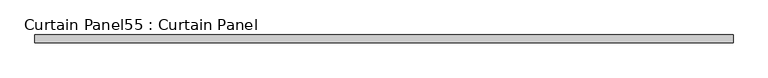
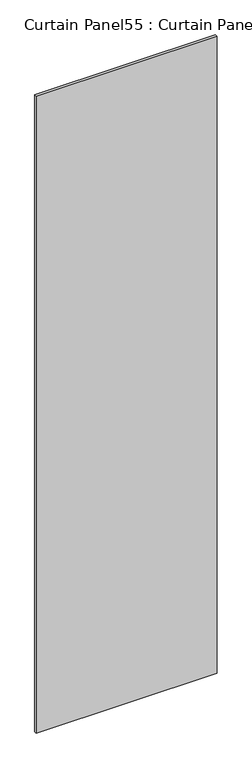
"""IFC4 building model written with IfcOpenShell, lengths in millimetres: plate geometry, Curtain Panel55 : Curtain Panel."""

from ifc_helpers import new_model, si_unit, frame, origin, place, context, project, spatial, polyline, outline, extrude, source, transform, mapped, element, save


def curtain_panel55_curtain_panel_6d70db28(model_context):
    return source(origin(), model_context, "Body", "SweptSolid", [
        extrude(outline(polyline([(46904.1304088, 1667.1510947), (44582.4896062, 1667.1510947), (44582.4896062, 1692.5510947), (46904.1304088, 1692.5510947), (46904.1304088, 1667.1510947)])), frame((0.0, 0.0, 1320.3397628), z_axis=(0.0, 0.0, 1.0), x_axis=(1.0, 0.0, 0.0)), (0.0, 0.0, 1.0), 8635.0685723),
    ])


if __name__ == "__main__":
    model = new_model("IFC4")
    model_context = context("Model", 3, world=origin())
    ifc_project = project(units=[si_unit("LENGTHUNIT", "METRE", prefix="MILLI")], contexts=[model_context])
    site = spatial("IfcSite", under=ifc_project)
    building = spatial("IfcBuilding", under=site)
    placement = place(None, origin())
    curtain_panel55_curtain_panel_shape = curtain_panel55_curtain_panel_6d70db28(model_context)
    element("IfcPlate", 1, ObjectType="Curtain Panel55 : Curtain Panel", at=placement, inside=building, context=model_context, shape_type="MappedRepresentation", body=[
        mapped(curtain_panel55_curtain_panel_shape, transform((0.0, 0.0, 0.0), x_axis=(1.0, 0.0, 0.0), y_axis=(0.0, 1.0, 0.0), z_axis=(0.0, 0.0, 1.0))),
    ])
    save(model, "model.ifc")
